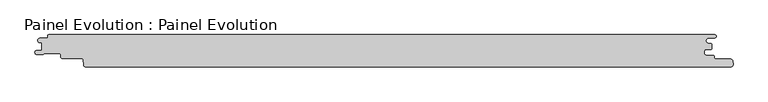
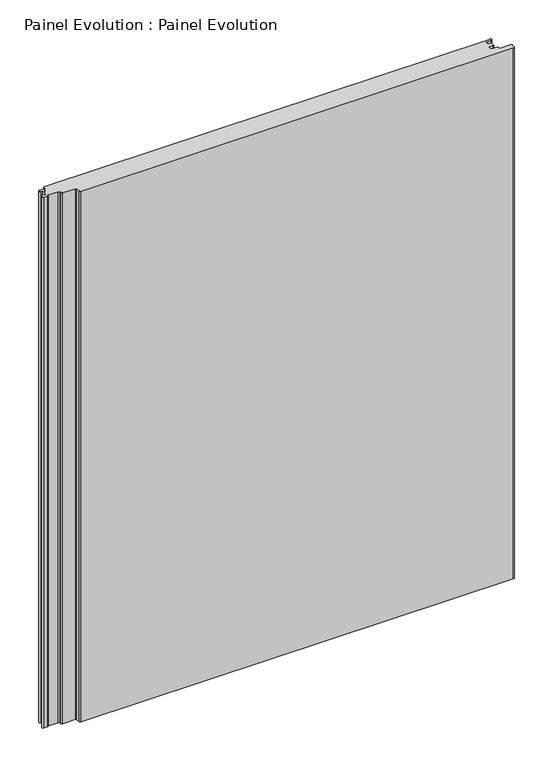
"""IFC4 building model written with IfcOpenShell, lengths in millimetres: proxy geometry, Painel Evolution : Painel Evolution."""

from ifc_helpers import new_model, si_unit, point, frame_2d, origin, origin_with_axes, place, context, project, spatial, polyline, circle_curve, trimmed, segment, composite_curve, outline, extrude, source, transform, mapped, element, save


def painel_evolution_painel_evolution_66006e05(model_context):
    return source(origin(), model_context, "Body", "SweptSolid", [
        extrude(outline(composite_curve([segment(trimmed(circle_curve(frame_2d((511.313274, 9.7225035)), 1.5999999), [point((511.5911111, 11.2981958))], [point((512.912729, 9.7642596))], False, "CARTESIAN"), True, "CONTINUOUS"), segment(polyline([(512.912729, 9.7642596), (512.912729, 3.1436506)]), True, "CONTINUOUS"), segment(trimmed(circle_curve(frame_2d((511.8673147, 3.1436506)), 1.0454142), [point((512.912729, 3.1436506))], [point((511.8673147, 2.0982364))], False, "CARTESIAN"), True, "CONTINUOUS"), segment(polyline([(511.8673147, 2.0982364), (503.9512072, 2.0982364)]), True, "CONTINUOUS"), segment(trimmed(circle_curve(frame_2d((503.9512072, -0.2517635)), 2.3499999), [point((503.9512072, 2.0982364))], [point((501.6012073, -0.2517635))], True, "CARTESIAN"), True, "CONTINUOUS"), segment(polyline([(501.6012073, -0.2517635), (501.6012073, -4.6548179)]), True, "CONTINUOUS"), segment(trimmed(circle_curve(frame_2d((503.9512072, -4.6548179)), 2.3499999), [point((501.6012073, -4.6548179))], [point((503.9512072, -7.0048179))], True, "CARTESIAN"), True, "CONTINUOUS"), segment(polyline([(503.9512072, -7.0048179), (514.620698, -7.0048179)]), True, "CONTINUOUS"), segment(trimmed(circle_curve(frame_2d((514.620698, -9.4048179)), 2.4), [point((514.620698, -7.0048179))], [point((517.020698, -9.4048179))], False, "CARTESIAN"), True, "CONTINUOUS"), segment(polyline([(517.020698, -9.4048179), (517.020698, -11.4048176)]), True, "CONTINUOUS"), segment(trimmed(circle_curve(frame_2d((518.620698, -11.4048176)), 1.6), [point((517.020698, -11.4048176))], [point((518.620698, -13.0048176))], True, "CARTESIAN"), True, "CONTINUOUS"), segment(polyline([(518.620698, -13.0048176), (542.0114544, -13.0048176)]), True, "CONTINUOUS"), segment(trimmed(circle_curve(frame_2d((542.0114544, -16.7048175)), 3.6999999), [point((542.0114544, -13.0048176))], [point((545.6606899, -16.0940152))], False, "CARTESIAN"), True, "CONTINUOUS"), segment(polyline([(545.6606899, -16.0940152), (546.1021208, -21.1370337)]), True, "CONTINUOUS"), segment(trimmed(circle_curve(frame_2d((542.5514013, -21.4373369)), 3.563396), [point((546.1021208, -21.1370337))], [point((542.6236695, -25.0))], False, "CARTESIAN"), True, "CONTINUOUS"), segment(polyline([(542.6236695, -25.0), (-459.4023864, -25.0)]), True, "CONTINUOUS"), segment(trimmed(circle_curve(frame_2d((-459.3507103, -22.1106339)), 2.8898282), [point((-459.4023864, -25.0))], [point((-462.2295384, -22.3625382))], False, "CARTESIAN"), True, "CONTINUOUS"), segment(polyline([(-462.2295384, -22.3625382), (-462.9760411, -13.8313116)]), True, "CONTINUOUS"), segment(trimmed(circle_curve(frame_2d((-464.9959051, -14.0080546)), 2.027582), [point((-462.9760411, -13.8313116))], [point((-463.3872648, -12.7738078))], True, "CARTESIAN"), True, "CONTINUOUS"), segment(trimmed(circle_curve(frame_2d((-464.9740222, -13.9912647)), 2.0), [point((-463.3872648, -12.7738078))], [point((-464.9818684, -11.99128))], True, "CARTESIAN"), True, "CONTINUOUS"), segment(polyline([(-464.9818684, -11.99128), (-494.9687938, -11.99128)]), True, "CONTINUOUS"), segment(trimmed(circle_curve(frame_2d((-494.9687938, -9.19128)), 2.8), [point((-494.9687938, -11.99128))], [point((-497.7687939, -9.19128))], False, "CARTESIAN"), True, "CONTINUOUS"), segment(polyline([(-497.7687939, -9.19128), (-497.7687939, -6.9007195)]), True, "CONTINUOUS"), segment(trimmed(circle_curve(frame_2d((-500.7687939, -6.9007195)), 3.0), [point((-497.7687939, -6.9007195))], [point((-500.7687939, -3.9007195))], True, "CARTESIAN"), True, "CONTINUOUS"), segment(polyline([(-500.7687939, -3.9007195), (-522.8062687, -3.9007195)]), True, "CONTINUOUS"), segment(trimmed(circle_curve(frame_2d((-522.8062687, -5.5007195)), 1.6), [point((-522.8062687, -3.9007195))], [point((-524.0123453, -4.4493494))], True, "CARTESIAN"), True, "CONTINUOUS"), segment(trimmed(circle_curve(frame_2d((-526.7593331, -2.7294942)), 3.2409634), [point((-524.0123453, -4.4493494))], [point((-525.2140128, -5.5783236))], False, "CARTESIAN"), True, "CONTINUOUS"), segment(trimmed(circle_curve(frame_2d((-526.3266399, -3.4518098)), 2.4), [point((-525.2140128, -5.5783236))], [point((-526.4215824, -5.8499312))], False, "CARTESIAN"), True, "CONTINUOUS"), segment(polyline([(-526.4215824, -5.8499312), (-534.7667193, -5.8499312)]), True, "CONTINUOUS"), segment(trimmed(circle_curve(frame_2d((-534.7667193, -2.5812398)), 3.2686913), [point((-534.7667193, -5.8499312))], [point((-534.9577702, 0.6818634))], False, "CARTESIAN"), True, "CONTINUOUS"), segment(polyline([(-534.9577702, 0.6818634), (-527.1155186, 0.6818634), (-527.1155186, 12.4922678), (-530.6488863, 12.4922678)]), True, "CONTINUOUS"), segment(trimmed(circle_curve(frame_2d((-529.8390625, 16.0)), 3.6), [point((-530.6488863, 12.4922678))], [point((-529.8390625, 19.6))], False, "CARTESIAN"), True, "CONTINUOUS"), segment(polyline([(-529.8390625, 19.6), (-520.0390625, 19.6)]), True, "CONTINUOUS"), segment(trimmed(circle_curve(frame_2d((-520.0390625, 21.6)), 2.0), [point((-520.0390625, 19.6))], [point((-518.0390625, 21.6))], True, "CARTESIAN"), True, "CONTINUOUS"), segment(polyline([(-518.0390625, 21.6), (-518.0390625, 23.0)]), True, "CONTINUOUS"), segment(trimmed(circle_curve(frame_2d((-516.0390625, 23.0)), 2.0), [point((-518.0390625, 23.0))], [point((-516.0390625, 25.0))], False, "CARTESIAN"), True, "CONTINUOUS"), segment(polyline([(-516.0390625, 25.0), (517.4609375, 25.0)]), True, "CONTINUOUS"), segment(trimmed(circle_curve(frame_2d((517.4609375, 22.5)), 2.5), [point((517.4609375, 25.0))], [point((517.4609375, 20.0))], False, "CARTESIAN"), True, "CONTINUOUS"), segment(polyline([(517.4609375, 20.0), (508.1893843, 20.0)]), True, "CONTINUOUS"), segment(trimmed(circle_curve(frame_2d((508.1893843, 15.6490979)), 4.3509021), [point((508.1893843, 20.0))], [point((508.1893843, 11.2981958))], True, "CARTESIAN"), True, "CONTINUOUS"), segment(polyline([(508.1893843, 11.2981958), (511.5911111, 11.2981958)]), True, "CONTINUOUS")], self_intersect=False)), origin_with_axes(), (0.0, 0.0, 1.0), 1300.0),
    ])


if __name__ == "__main__":
    model = new_model("IFC4")
    model_context = context("Model", 3, world=origin())
    ifc_project = project(units=[si_unit("LENGTHUNIT", "METRE", prefix="MILLI")], contexts=[model_context])
    site = spatial("IfcSite", under=ifc_project)
    building = spatial("IfcBuilding", under=site)
    placement = place(None, origin())
    painel_evolution_painel_evolution_shape = painel_evolution_painel_evolution_66006e05(model_context)
    element("IfcBuildingElementProxy", 1, Name="Painel Evolution : Painel Evolution", ObjectType="Painel Evolution : Painel Evolution", at=placement, inside=building, context=model_context, shape_type="MappedRepresentation", body=[
        mapped(painel_evolution_painel_evolution_shape, transform((0.0, 0.0, 0.0), x_axis=(1.0, 0.0, 0.0), y_axis=(0.0, 1.0, 0.0), z_axis=(0.0, 0.0, 1.0))),
    ])
    save(model, "model.ifc")
